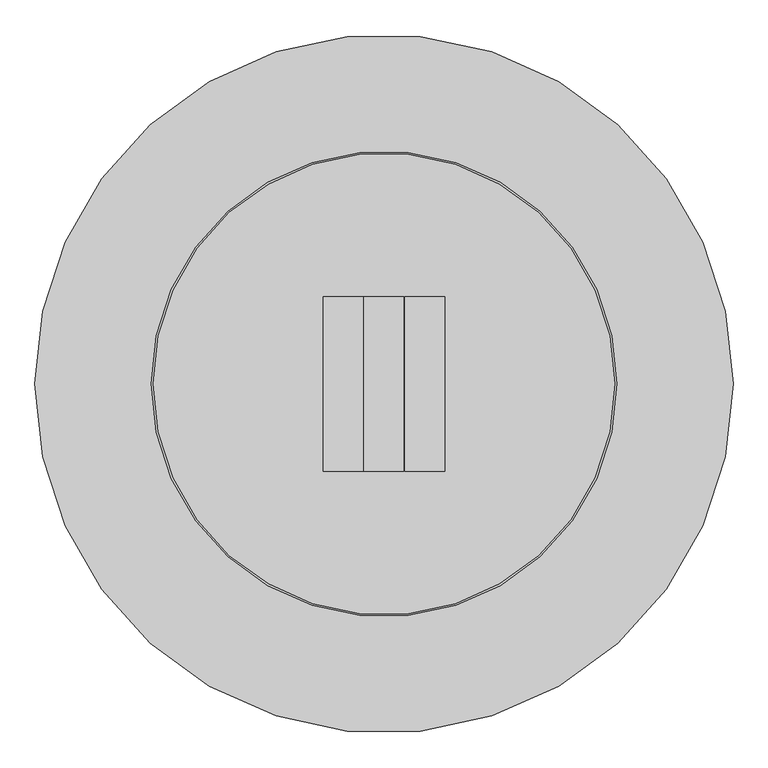
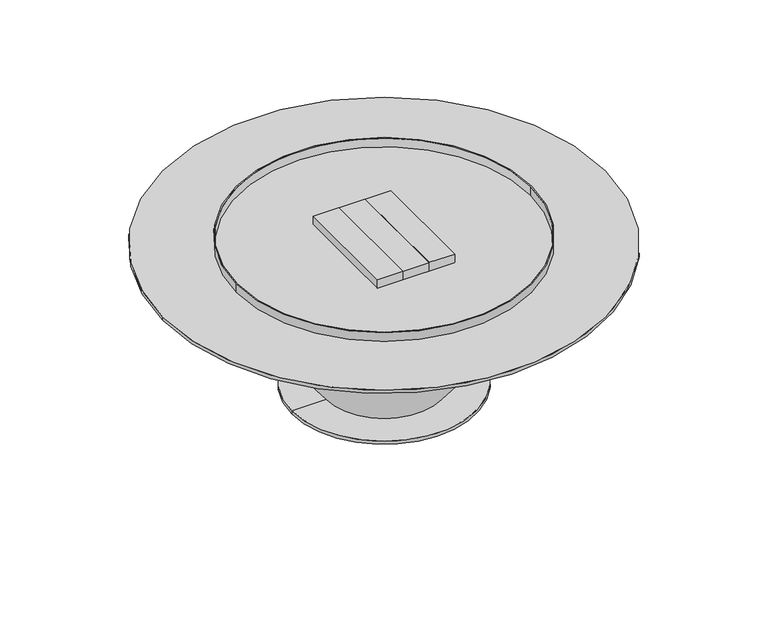
"""IFC4 building model written with IfcOpenShell, lengths in millimetres: proxy geometry."""

from ifc_helpers import new_model, si_unit, point, frame, origin, origin_with_axes, origin_2d, place, context, project, spatial, polyline, circle_curve, trimmed, segment, composite_curve, outline, extrude, source, transform, mapped, element, save
from ifc_brep_helpers import plane_surface, cylinder_surface, revolved_surface, advanced_brep


def generic_models_d2ef47f8(model_context):
    return source(origin(), model_context, "Body", "SolidModel", [
        extrude(outline(composite_curve([segment(trimmed(circle_curve(origin_2d(), 609.6), [point((-609.6, 0.0))], [point((609.6, 0.0))], False, "CARTESIAN"), True, "CONTINUOUS"), segment(trimmed(circle_curve(origin_2d(), 609.6), [point((609.6, 0.0))], [point((-609.6, 0.0))], False, "CARTESIAN"), True, "CONTINUOUS")], self_intersect=False)), frame((0.0, 0.0, 396.875), z_axis=(0.0, 0.0, 1.0), x_axis=(1.0, 0.0, 0.0)), (0.0, 0.0, 1.0), 9.525),
        advanced_brep(
        [(457.2, 0.0, 396.875), (-457.2, 0.0, 396.875), (-254.0, 0.0, 0.0), (254.0, 0.0, 0.0), (-254.0, 0.0, 9.525), (-159.7152, 0.0, 9.525), (159.7152, 0.0, 9.525), (254.0, 0.0, 9.525)],
        [
            (0, 1, circle_curve(frame((0.0, 0.0, 396.875), z_axis=(0.0, 0.0, 1.0), x_axis=(1.0, 0.0, 0.0)), 457.2)),
            (1, 0, circle_curve(frame((0.0, 0.0, 396.875), z_axis=(0.0, 0.0, 1.0), x_axis=(1.0, 0.0, 0.0)), 457.2)),
            (2, 3, circle_curve(frame((0.0, 0.0, 0.0), z_axis=(0.0, 0.0, -1.0), x_axis=(1.0, 0.0, 0.0)), 254.0)),
            (3, 2, circle_curve(frame((0.0, 0.0, 0.0), z_axis=(0.0, 0.0, -1.0), x_axis=(1.0, 0.0, 0.0)), 254.0)),
            (4, 5),
            (5, 6, circle_curve(frame((0.0, 0.0, 9.525), z_axis=(0.0, 0.0, -1.0), x_axis=(1.0, 0.0, 0.0)), 159.7152)),
            (6, 7),
            (7, 4, circle_curve(frame((0.0, 0.0, 9.525), z_axis=(0.0, 0.0, 1.0), x_axis=(1.0, 0.0, 0.0)), 254.0)),
            (4, 7, circle_curve(frame((0.0, 0.0, 9.525), z_axis=(0.0, 0.0, 1.0), x_axis=(1.0, 0.0, 0.0)), 254.0)),
            (6, 5, circle_curve(frame((0.0, 0.0, 9.525), z_axis=(0.0, 0.0, -1.0), x_axis=(1.0, 0.0, 0.0)), 159.7152)),
            (7, 3),
            (2, 4),
            (5, 1),
            (0, 6),
        ],
        [
            plane_surface(frame((457.2, 0.0, 396.875), z_axis=(0.0, 0.0, 1.0), x_axis=(0.0, 1.0, 0.0))),
            plane_surface(frame((457.2, 0.0, 0.0), z_axis=(0.0, 0.0, -1.0), x_axis=(0.0, -1.0, 0.0))),
            plane_surface(frame((0.0, 0.0, 9.525), z_axis=(0.0, 0.0, 1.0), x_axis=(1.0, 0.0, 0.0))),
            cylinder_surface(origin_with_axes(), 254.0),
            revolved_surface(polyline([(159.7152, 0.0, 9.525), (457.2, 0.0, 396.875)]), (0.0, 0.0, 0.0), (0.0, 0.0, 1.0)),
        ],
        [
            (0, [[1, 2]]),
            (1, [[3, 4]]),
            (2, [[5, 6, 7, 8]]),
            (2, [[-5, 9, -7, 10]]),
            (3, [[-8, 11, -3, 12]]),
            (3, [[-9, -12, -4, -11]]),
            (4, [[-6, 13, -1, 14]]),
            (4, [[-10, -14, -2, -13]]),
        ],
    ),
        extrude(outline(polyline([(36.449, -152.4), (36.449, 152.4), (106.299, 152.4), (106.299, -152.4), (36.449, -152.4)])), frame((0.0, 0.0, 406.4), z_axis=(0.0, 0.0, 1.0), x_axis=(1.0, 0.0, 0.0)), (0.0, 0.0, 1.0), 25.4),
        extrude(outline(composite_curve([segment(trimmed(circle_curve(origin_2d(), 406.4), [point((-406.4, 0.0))], [point((406.4, 0.0))], False, "CARTESIAN"), True, "CONTINUOUS"), segment(trimmed(circle_curve(origin_2d(), 406.4), [point((406.4, 0.0))], [point((-406.4, 0.0))], False, "CARTESIAN"), True, "CONTINUOUS")], self_intersect=False), holes=[composite_curve([segment(trimmed(circle_curve(origin_2d(), 403.225), [point((-403.225, 0.0))], [point((403.225, 0.0))], True, "CARTESIAN"), True, "CONTINUOUS"), segment(trimmed(circle_curve(origin_2d(), 403.225), [point((403.225, 0.0))], [point((-403.225, 0.0))], True, "CARTESIAN"), True, "CONTINUOUS")], self_intersect=False)]), frame((0.0, 0.0, 406.4), z_axis=(0.0, 0.0, 1.0), x_axis=(1.0, 0.0, 0.0)), (0.0, 0.0, 1.0), 25.4),
        extrude(outline(polyline([(-36.449, -152.4), (-106.299, -152.4), (-106.299, 152.4), (-36.449, 152.4), (-36.449, -152.4)])), frame((0.0, 0.0, 406.4), z_axis=(0.0, 0.0, 1.0), x_axis=(1.0, 0.0, 0.0)), (0.0, 0.0, 1.0), 25.4),
        extrude(outline(polyline([(-34.925, -152.4), (-34.925, 152.4), (34.925, 152.4), (34.925, -152.4), (-34.925, -152.4)])), frame((0.0, 0.0, 406.4), z_axis=(0.0, 0.0, 1.0), x_axis=(1.0, 0.0, 0.0)), (0.0, 0.0, 1.0), 25.4),
    ])


if __name__ == "__main__":
    model = new_model("IFC4")
    model_context = context("Model", 3, world=origin())
    ifc_project = project(units=[si_unit("LENGTHUNIT", "METRE", prefix="MILLI")], contexts=[model_context])
    site = spatial("IfcSite", under=ifc_project)
    building = spatial("IfcBuilding", under=site)
    placement = place(None, origin())
    generic_models_shape = generic_models_d2ef47f8(model_context)
    element("IfcBuildingElementProxy", 1, Name="Generic Models", at=placement, inside=building, context=model_context, shape_type="MappedRepresentation", body=[
        mapped(generic_models_shape, transform((0.0, 0.0, 0.0), x_axis=(1.0, 0.0, 0.0), y_axis=(0.0, 1.0, 0.0), z_axis=(0.0, 0.0, 1.0))),
    ])
    save(model, "model.ifc")
